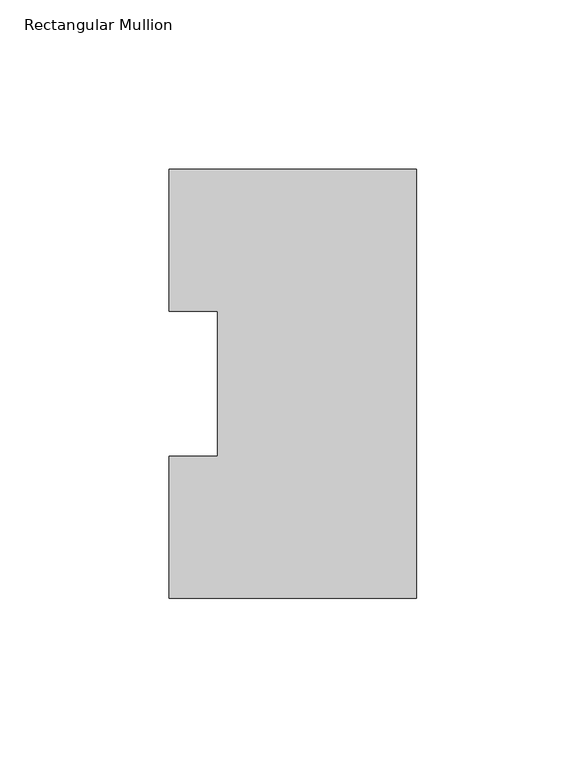
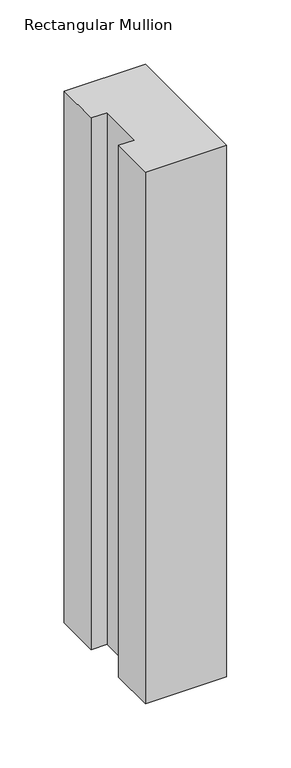
"""IFC4 building model written with IfcOpenShell, lengths in millimetres: member geometry, Rectangular Mullion."""

from ifc_helpers import new_model, si_unit, frame, origin, place, context, project, spatial, polyline, outline, extrude, source, transform, mapped, element, save


def rectangular_mullion_f5f5e489(model_context):
    return source(origin(), model_context, "Body", "SweptSolid", [
        extrude(outline(polyline([(0.0, 126.4546937), (0.0, -0.0373063), (-73.025, -0.0373063), (-73.025, 41.7837937), (-58.7375, 41.7837937), (-58.7375, 84.6335938), (-73.025, 84.6335938), (-73.025, 126.4546937), (0.0, 126.4546937)])), frame((0.0, 0.0, -504.825), z_axis=(0.0, 0.0, 1.0), x_axis=(1.0, 0.0, 0.0)), (0.0, 0.0, 1.0), 504.825),
    ])


if __name__ == "__main__":
    model = new_model("IFC4")
    model_context = context("Model", 3, world=origin())
    ifc_project = project(units=[si_unit("LENGTHUNIT", "METRE", prefix="MILLI")], contexts=[model_context])
    site = spatial("IfcSite", under=ifc_project)
    building = spatial("IfcBuilding", under=site)
    placement = place(None, origin())
    rectangular_mullion_shape = rectangular_mullion_f5f5e489(model_context)
    element("IfcMember", 1, ObjectType="Rectangular Mullion", at=placement, inside=building, context=model_context, shape_type="MappedRepresentation", body=[
        mapped(rectangular_mullion_shape, transform((0.0, 0.0, 0.0), x_axis=(1.0, 0.0, 0.0), y_axis=(0.0, 1.0, 0.0), z_axis=(0.0, 0.0, 1.0))),
    ])
    save(model, "model.ifc")
